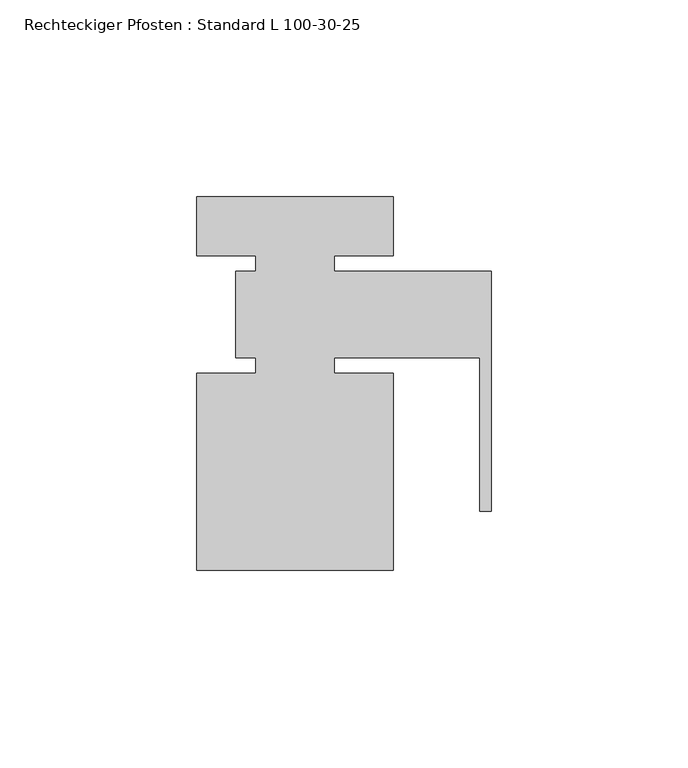
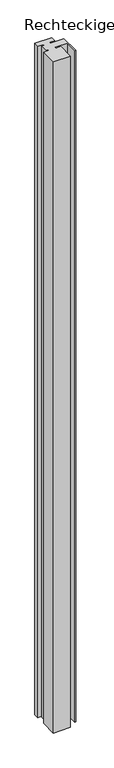
"""IFC4 building model written with IfcOpenShell, lengths in millimetres: member geometry, Rechteckiger Pfosten : Standard L 100-30-25."""

from ifc_helpers import new_model, si_unit, frame, origin, place, context, project, spatial, polyline, outline, extrude, source, transform, mapped, element, save


def rechteckiger_pfosten_standard_l_100_30_25_13f3962c(model_context):
    return source(origin(), model_context, "Body", "SweptSolid", [
        extrude(outline(polyline([(-75.0, -65.0), (-75.0, -15.0), (-60.0, -15.0), (-60.0, -11.0), (-65.0, -11.0), (-65.0, 11.0), (-60.0, 11.0), (-60.0, 15.0), (-75.0, 15.0), (-75.0, 30.0), (-25.0, 30.0), (-25.0, 15.0), (-40.0, 15.0), (-40.0, 11.0), (0.0, 11.0), (0.0, -50.0), (-2.9610176, -50.0), (-2.9610176, -11.0), (-40.0, -11.0), (-40.0, -15.0), (-25.0, -15.0), (-25.0, -65.0), (-75.0, -65.0)])), frame((0.0, 0.0, -2100.0), z_axis=(0.0, 0.0, 1.0), x_axis=(1.0, 0.0, 0.0)), (0.0, 0.0, 1.0), 2100.0),
    ])


if __name__ == "__main__":
    model = new_model("IFC4")
    model_context = context("Model", 3, world=origin())
    ifc_project = project(units=[si_unit("LENGTHUNIT", "METRE", prefix="MILLI")], contexts=[model_context])
    site = spatial("IfcSite", under=ifc_project)
    building = spatial("IfcBuilding", under=site)
    placement = place(None, origin())
    rechteckiger_pfosten_standard_l_100_30_25_shape = rechteckiger_pfosten_standard_l_100_30_25_13f3962c(model_context)
    element("IfcMember", 1, ObjectType="Rechteckiger Pfosten : Standard L 100-30-25", at=placement, inside=building, context=model_context, shape_type="MappedRepresentation", body=[
        mapped(rechteckiger_pfosten_standard_l_100_30_25_shape, transform((0.0, 0.0, 0.0), x_axis=(1.0, 0.0, 0.0), y_axis=(0.0, 1.0, 0.0), z_axis=(0.0, 0.0, 1.0))),
    ])
    save(model, "model.ifc")
